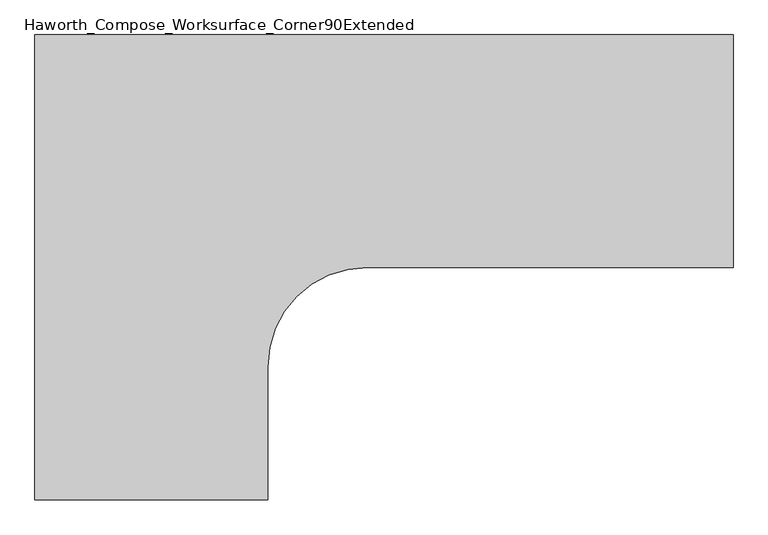
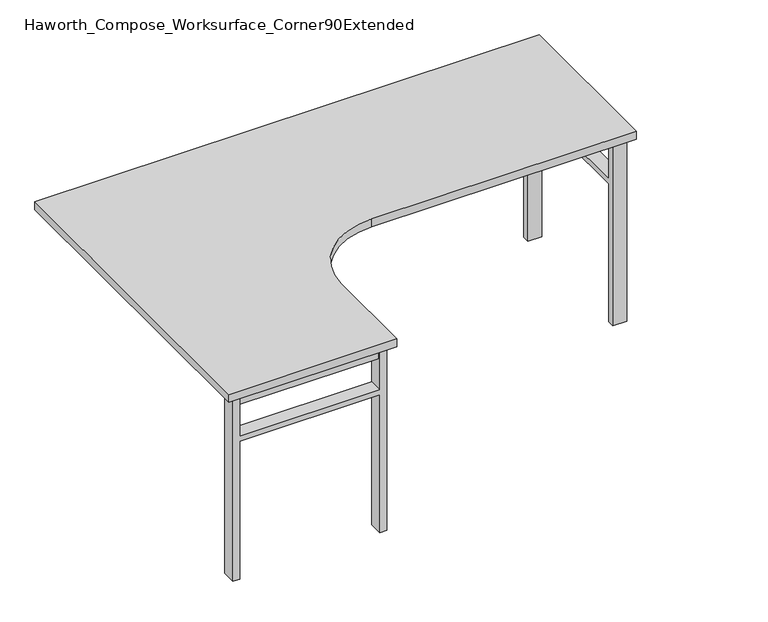
"""IFC4 building model written with IfcOpenShell, lengths in millimetres: furniture geometry, Haworth_Compose_Worksurface_Corner90Extended."""

import ifcopenshell
import ifcopenshell.guid

model = None  # the IFC model being written
_history = None  # IfcOwnerHistory: only IFC2X3 demands one
_inside = {}  # id of a spatial element -> (the spatial element, [elements in it])
_under = {}  # id of a project, library or spatial element -> (it, [spatial elements below it])
_declared = {}  # id of a project -> (the project, [libraries it declares])
_typed = {}  # id of a type object -> (the type object, [elements of that type])
_made_of = {}  # id of a material, layer set ... -> (it, [elements and type objects made of it])


def new_model(schema):
    """Start an empty IFC model of exactly this schema.

    Asked for "IFC4X3", IfcOpenShell would pick the latest addendum, in which some entities
    have other attributes; the version numbers below select the first issue.
    IFC2X3 requires an IfcOwnerHistory on every rooted entity: one is made here for all.
    """
    global model, _history
    if schema == "IFC4X3":
        model = ifcopenshell.file(schema_version=(4, 3, 0, 0))
    else:
        model = ifcopenshell.file(schema=schema)
    _inside.clear()
    _under.clear()
    _declared.clear()
    _typed.clear()
    _made_of.clear()
    _history = None
    if model.schema == "IFC2X3":
        org = make("IfcOrganization", Name="unknown")
        user = make(
            "IfcPersonAndOrganization",
            ThePerson=make("IfcPerson", FamilyName="unknown"),
            TheOrganization=org,
        )
        app = make(
            "IfcApplication",
            ApplicationDeveloper=org,
            Version="unknown",
            ApplicationFullName="unknown",
            ApplicationIdentifier="unknown",
        )
        _history = make(
            "IfcOwnerHistory",
            OwningUser=user,
            OwningApplication=app,
            ChangeAction="ADDED",
            CreationDate=0,
        )
    return model


def make(cls, **values):
    """One entity of the class cls with the attributes given. An attribute that is None is left unset."""
    return model.create_entity(
        cls, **{name: value for name, value in values.items() if value is not None}
    )


def rooted(cls, **values):
    """An entity with a GlobalId (a new one), such as an element, a storey or a relation."""
    return make(cls, GlobalId=ifcopenshell.guid.new(), OwnerHistory=_history, **values)


def si_unit(unit_type, name, prefix=None):
    """IfcSIUnit, for example si_unit("LENGTHUNIT", "METRE", prefix="MILLI")."""
    return make("IfcSIUnit", UnitType=unit_type, Prefix=prefix, Name=name)


def assignment(units):
    """IfcUnitAssignment: the units of a project."""
    return None if units is None else make("IfcUnitAssignment", Units=units)


def point(xyz):
    """IfcCartesianPoint."""
    return None if xyz is None else make("IfcCartesianPoint", Coordinates=xyz)


def direction(xyz):
    """IfcDirection."""
    return None if xyz is None else make("IfcDirection", DirectionRatios=xyz)


def frame(location, z_axis=None, x_axis=None):
    """IfcAxis2Placement3D, a coordinate frame: its origin and axes. An axis left out is left unset."""
    return make(
        "IfcAxis2Placement3D",
        Location=point(location),
        Axis=direction(z_axis),
        RefDirection=direction(x_axis),
    )


def frame_2d(location, x_axis=None):
    """IfcAxis2Placement2D, a coordinate frame in the plane: its origin and x axis."""
    return make(
        "IfcAxis2Placement2D", Location=point(location), RefDirection=direction(x_axis)
    )


def origin():
    """The frame at (0, 0, 0) with its axes left unset."""
    return frame((0.0, 0.0, 0.0))


def place(relative_to, where):
    """IfcLocalPlacement: puts the frame where relative to a parent placement (None: the world)."""
    return make(
        "IfcLocalPlacement", PlacementRelTo=relative_to, RelativePlacement=where
    )


def context(
    kind, dimensions, precision=None, world=None, true_north=None, identifier=None
):
    """IfcGeometricRepresentationContext, for example the 3D "Model" context."""
    return make(
        "IfcGeometricRepresentationContext",
        ContextIdentifier=identifier,
        ContextType=kind,
        CoordinateSpaceDimension=dimensions,
        Precision=precision,
        WorldCoordinateSystem=world,
        TrueNorth=true_north,
    )


def project(units=None, contexts=None):
    """IfcProject with its units and contexts."""
    return rooted(
        "IfcProject",
        Name="project",
        RepresentationContexts=contexts,
        UnitsInContext=assignment(units),
    )


def spatial(cls, under=None, at=None, **own):
    """A site, building, storey or space (cls), placed at a placement, below another one or the project."""
    s = rooted(cls, ObjectPlacement=at, **own)
    if under is not None:
        _under.setdefault(under.id(), (under, []))[1].append(s)
    return s


def polyline(points):
    """IfcPolyline through the points."""
    return make("IfcPolyline", Points=[point(p) for p in points])


def circle_curve(where, radius):
    """IfcCircle in the frame where."""
    return make("IfcCircle", Position=where, Radius=radius)


def trimmed(basis, trim1, trim2, sense, master):
    """IfcTrimmedCurve: the piece of a basis curve between two trims."""
    return make(
        "IfcTrimmedCurve",
        BasisCurve=basis,
        Trim1=trim1,
        Trim2=trim2,
        SenseAgreement=sense,
        MasterRepresentation=master,
    )


def segment(curve, same_sense, transition):
    """IfcCompositeCurveSegment."""
    return make(
        "IfcCompositeCurveSegment",
        Transition=transition,
        SameSense=same_sense,
        ParentCurve=curve,
    )


def composite_curve(segments, self_intersect=None):
    """IfcCompositeCurve: segments joined end to end."""
    return make("IfcCompositeCurve", Segments=segments, SelfIntersect=self_intersect)


def outline(outer, holes=None, kind="AREA"):
    """IfcArbitraryClosedProfileDef: a profile drawn as a closed curve; with holes, ...WithVoids."""
    if holes is None:
        return make("IfcArbitraryClosedProfileDef", ProfileType=kind, OuterCurve=outer)
    return make(
        "IfcArbitraryProfileDefWithVoids",
        ProfileType=kind,
        OuterCurve=outer,
        InnerCurves=holes,
    )


def extrude(swept, where, along, depth):
    """IfcExtrudedAreaSolid: the profile swept, set in the frame where, extruded along a direction by depth."""
    return make(
        "IfcExtrudedAreaSolid",
        SweptArea=swept,
        Position=where,
        ExtrudedDirection=direction(along),
        Depth=depth,
    )


def shape(context_of_items, identifier, shape_type, items):
    """IfcShapeRepresentation: the items that make up one representation, for example the "Body"."""
    return make(
        "IfcShapeRepresentation",
        ContextOfItems=context_of_items,
        RepresentationIdentifier=identifier,
        RepresentationType=shape_type,
        Items=items,
    )


def source(mapping_origin, context_of_items, identifier, shape_type, items):
    """IfcRepresentationMap: a shape defined once, which mapped items show again and again."""
    return make(
        "IfcRepresentationMap",
        MappingOrigin=mapping_origin,
        MappedRepresentation=shape(context_of_items, identifier, shape_type, items),
    )


def transform(
    local_origin,
    x_axis=None,
    y_axis=None,
    z_axis=None,
    scale=None,
    scale2=None,
    scale3=None,
    uniform=True,
):
    """IfcCartesianTransformationOperator3D, or its non-uniform kind. x_axis, y_axis, z_axis: its Axis1, 2, 3."""
    if uniform:
        return make(
            "IfcCartesianTransformationOperator3D",
            Axis1=direction(x_axis),
            Axis2=direction(y_axis),
            LocalOrigin=point(local_origin),
            Scale=scale,
            Axis3=direction(z_axis),
        )
    return make(
        "IfcCartesianTransformationOperator3DnonUniform",
        Axis1=direction(x_axis),
        Axis2=direction(y_axis),
        LocalOrigin=point(local_origin),
        Scale=scale,
        Axis3=direction(z_axis),
        Scale2=scale2,
        Scale3=scale3,
    )


def mapped(mapping_source, mapping_target):
    """IfcMappedItem: shows the shape of a source again, moved by a transform."""
    return make(
        "IfcMappedItem", MappingSource=mapping_source, MappingTarget=mapping_target
    )


def made_of(thing, what):
    """Note that an element or type object is made of a material, layer set ...; save() writes the relation."""
    if what is not None:
        _made_of.setdefault(what.id(), (what, []))[1].append(thing)
    return thing


def element(
    cls,
    number,
    at=None,
    inside=None,
    cuts=None,
    type_object=None,
    material=None,
    context=None,
    identifier="Body",
    shape_type=None,
    held_by="IfcProductDefinitionShape",
    body=None,
    shapes=None,
    **own,
):
    """One element of the class cls, such as IfcWall. Its Tag is "e" and its number.

    at: its placement. inside: the storey or other place that contains it. cuts: it is an
    opening in that element (IfcRelVoidsElement). A single representation is given by context,
    identifier, shape_type and body (its items); several are given by shapes. held_by: the class
    of the entity that holds the representations. save() writes the other relations.
    """
    e = rooted(cls, Tag="e%d" % number, ObjectPlacement=at, **own)
    if body is not None:
        shapes = [shape(context, identifier, shape_type, body)]
    if shapes is not None:
        e.Representation = make(held_by, Representations=shapes)
    if inside is not None:
        _inside.setdefault(inside.id(), (inside, []))[1].append(e)
    if cuts is not None:
        rooted(
            "IfcRelVoidsElement", RelatingBuildingElement=cuts, RelatedOpeningElement=e
        )
    if type_object is not None:
        _typed.setdefault(type_object.id(), (type_object, []))[1].append(e)
    return made_of(e, material)


def aggregate(whole, parts):
    """IfcRelAggregates: a whole, such as a stair, and the parts it consists of."""
    return rooted("IfcRelAggregates", RelatingObject=whole, RelatedObjects=parts)


def save(model, path):
    """Write the relations noted so far, then the file.

    IfcRelAggregates (storeys below a building ...), IfcRelContainedInSpatialStructure (elements
    in a storey), IfcRelDefinesByType, IfcRelAssociatesMaterial and IfcRelDeclares: one each for
    every whole, place, type object, material and project.
    """
    for whole, parts in _under.values():
        aggregate(whole, parts)
    for where, things in _inside.values():
        rooted(
            "IfcRelContainedInSpatialStructure",
            RelatedElements=things,
            RelatingStructure=where,
        )
    for kind, things in _typed.values():
        rooted("IfcRelDefinesByType", RelatedObjects=things, RelatingType=kind)
    for what, things in _made_of.values():
        rooted("IfcRelAssociatesMaterial", RelatedObjects=things, RelatingMaterial=what)
    for by, libraries in _declared.values():
        rooted("IfcRelDeclares", RelatingContext=by, RelatedDefinitions=libraries)
    model.write(path)


def haworth_compose_worksurface_corner90extended_595f3dfe(model_context):
    return source(origin(), model_context, "Body", "SweptSolid", [
        extrude(outline(polyline([(1038.225, 101.6), (1038.225, -406.4), (1006.475, -406.4), (1006.475, 101.6), (1038.225, 101.6)])), frame((0.0, 0.0, 661.9875), z_axis=(0.0, 0.0, 1.0), x_axis=(1.0, 0.0, 0.0)), (0.0, 0.0, 1.0), 44.45),
        extrude(outline(polyline([(-406.4, 528.6375), (-406.4, 0.0), (-431.8, 0.0), (-431.8, 706.4375), (-406.4, 706.4375), (-406.4, 547.6875), (101.6, 547.6875), (101.6, 706.4375), (127.0, 706.4375), (127.0, 0.0), (101.6, 0.0), (101.6, 528.6375), (-406.4, 528.6375)])), frame((996.95, 0.0, 0.0), z_axis=(1.0, 0.0, 0.0), x_axis=(0.0, 1.0, 0.0)), (0.0, 0.0, 1.0), 50.8),
        extrude(outline(polyline([(-711.2, -1006.475), (-203.2, -1006.475), (-203.2, -1038.225), (-711.2, -1038.225), (-711.2, -1006.475)])), frame((0.0, 0.0, 661.9875), z_axis=(0.0, 0.0, 1.0), x_axis=(1.0, 0.0, 0.0)), (0.0, 0.0, 1.0), 44.45),
        extrude(outline(polyline([(528.6375, -203.2), (0.0, -203.2), (0.0, -177.8), (706.4375, -177.8), (706.4375, -203.2), (547.6875, -203.2), (547.6875, -711.2), (706.4375, -711.2), (706.4375, -736.6), (0.0, -736.6), (0.0, -711.2), (528.6375, -711.2), (528.6375, -203.2)])), frame((0.0, -1047.75, 0.0), z_axis=(0.0, 1.0, 0.0), x_axis=(0.0, 0.0, 1.0)), (0.0, 0.0, 1.0), 50.8),
        extrude(outline(composite_curve([segment(polyline([(-762.0, 152.4), (1066.8, 152.4), (1066.8, -457.2), (107.95, -457.2)]), True, "CONTINUOUS"), segment(trimmed(circle_curve(frame_2d((107.95, -717.55)), 260.35), [point((107.95, -457.2))], [point((-152.4, -717.55))], True, "CARTESIAN"), True, "CONTINUOUS"), segment(polyline([(-152.4, -717.55), (-152.4, -1066.8), (-762.0, -1066.8), (-762.0, 152.4)]), True, "CONTINUOUS")], self_intersect=False)), frame((0.0, 0.0, 706.4375), z_axis=(0.0, 0.0, 1.0), x_axis=(1.0, 0.0, 0.0)), (0.0, 0.0, 1.0), 30.1625),
    ])


if __name__ == "__main__":
    model = new_model("IFC4")
    model_context = context("Model", 3, world=origin())
    ifc_project = project(units=[si_unit("LENGTHUNIT", "METRE", prefix="MILLI")], contexts=[model_context])
    site = spatial("IfcSite", under=ifc_project)
    building = spatial("IfcBuilding", under=site)
    placement = place(None, origin())
    haworth_compose_worksurface_corner90extended_shape = haworth_compose_worksurface_corner90extended_595f3dfe(model_context)
    element("IfcFurniture", 1, ObjectType="Haworth_Compose_Worksurface_Corner90Extended", at=placement, inside=building, context=model_context, shape_type="MappedRepresentation", body=[
        mapped(haworth_compose_worksurface_corner90extended_shape, transform((0.0, 0.0, 0.0), x_axis=(1.0, 0.0, 0.0), y_axis=(0.0, 1.0, 0.0), z_axis=(0.0, 0.0, 1.0))),
    ])
    save(model, "model.ifc")
